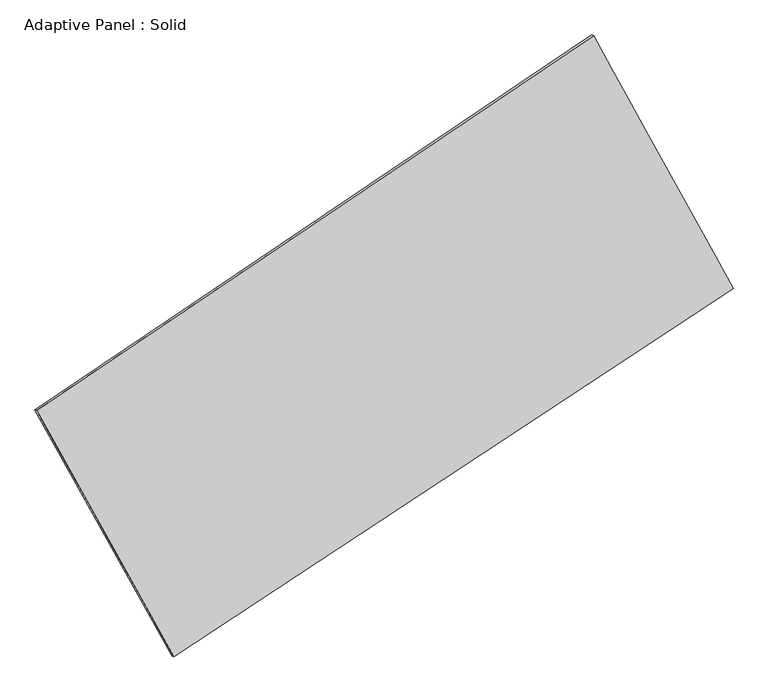
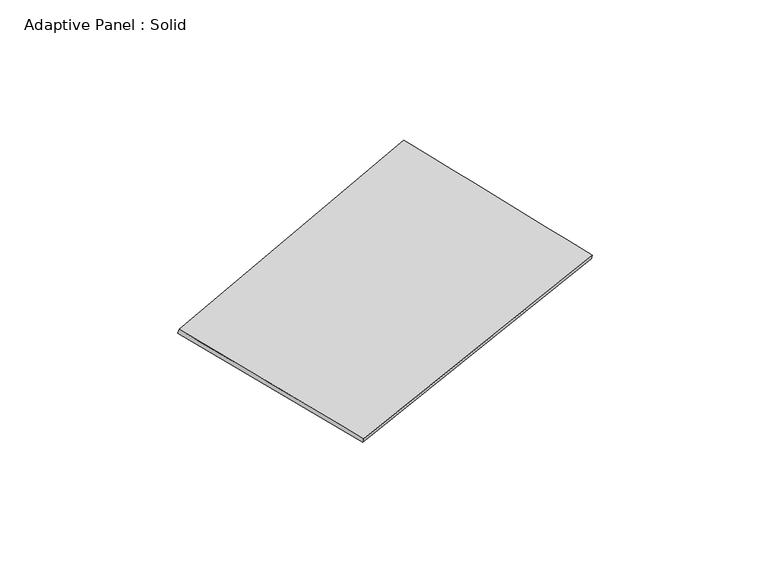
"""IFC4 building model written with IfcOpenShell, lengths in millimetres: plate geometry, Adaptive Panel : Solid."""

from ifc_helpers import new_model, si_unit, frame, origin, place, context, project, spatial, source, transform, mapped, element, save
from ifc_brep_helpers import plane_surface, spline_surface, advanced_brep


def adaptive_panel_solid_8d1d1c02(model_context):
    return source(origin(), model_context, "Body", "AdvancedBrep", [
        advanced_brep(
        [(1156.0551625, 2597.665725, 685.6617448), (-3652.7369602, -641.2999097, 1717.0204971), (-3638.0706044, -647.6800032, 1764.3934051), (1170.7215183, 2591.2856316, 733.0346528), (-2467.467299, -2770.830986, 1084.7517517), (-2452.8009432, -2777.2110795, 1132.1246597), (2360.8585186, 414.2165978, -2.3114734), (2375.5248744, 407.8365043, 45.0614346)],
        [
            (0, 1),
            (1, 2),
            (2, 3),
            (3, 0),
            (1, 4),
            (4, 5),
            (5, 2),
            (4, 6),
            (6, 7),
            (7, 5),
            (6, 0),
            (3, 7),
        ],
        [
            plane_surface(frame((-1248.3408989, 978.1829077, 1201.341121), z_axis=(-0.4987690115849933, 0.8250585745913082, 0.26553308941803777), x_axis=(-0.8165865340144749, -0.550012488372725, 0.1751362186992454))),
            plane_surface(frame((-3060.1021296, -1706.0654478, 1400.8861244), z_axis=(-0.8334075298928049, -0.5196900821999678, 0.18802687994264142), x_axis=(0.47074814668975107, -0.8457761472306093, -0.2511152945638939))),
            plane_surface(frame((-53.3043902, -1178.3071941, 541.2201392), z_axis=(0.4891701362716188, -0.8314570712230388, -0.2634230750963414), x_axis=(0.8203782103490507, 0.5411697005096625, -0.18470232059931244))),
            plane_surface(frame((1758.4568405, 1505.9411614, 341.6751357), z_axis=(0.8336368770898642, 0.5192761985497016, -0.1881536254650159), x_axis=(-0.4657235471623441, 0.8440246015462516, 0.2659399360818438))),
            spline_surface(1, 1, [[(-3638.0706044, -647.6800032, 1764.3934051), (1170.7215183, 2591.2856316, 733.0346528)], [(-2452.8009432, -2777.2110795, 1132.1246597), (2375.5248744, 407.8365043, 45.0614346)]], [2, 2], [2, 2], [0.0, 1.0], [0.0, 1.0]),
            spline_surface(1, 1, [[(2360.8585186, 414.2165978, -2.3114734), (1156.0551625, 2597.665725, 685.6617448)], [(-2467.467299, -2770.830986, 1084.7517517), (-3652.7369602, -641.2999097, 1717.0204971)]], [2, 2], [2, 2], [0.0, 1.0], [0.0, 1.0]),
        ],
        [
            (0, [[1, 2, 3, 4]]),
            (1, [[5, 6, 7, -2]]),
            (2, [[8, 9, 10, -6]]),
            (3, [[11, -4, 12, -9]]),
            (4, [[-3, -7, -10, -12]]),
            (5, [[-11, -8, -5, -1]]),
        ],
    ),
    ])


if __name__ == "__main__":
    model = new_model("IFC4")
    model_context = context("Model", 3, world=origin())
    ifc_project = project(units=[si_unit("LENGTHUNIT", "METRE", prefix="MILLI")], contexts=[model_context])
    site = spatial("IfcSite", under=ifc_project)
    building = spatial("IfcBuilding", under=site)
    placement = place(None, origin())
    adaptive_panel_solid_shape = adaptive_panel_solid_8d1d1c02(model_context)
    element("IfcPlate", 1, ObjectType="Adaptive Panel : Solid", at=placement, inside=building, context=model_context, shape_type="MappedRepresentation", body=[
        mapped(adaptive_panel_solid_shape, transform((0.0, 0.0, 0.0), x_axis=(1.0, 0.0, 0.0), y_axis=(0.0, 1.0, 0.0), z_axis=(0.0, 0.0, 1.0))),
    ])
    save(model, "model.ifc")
